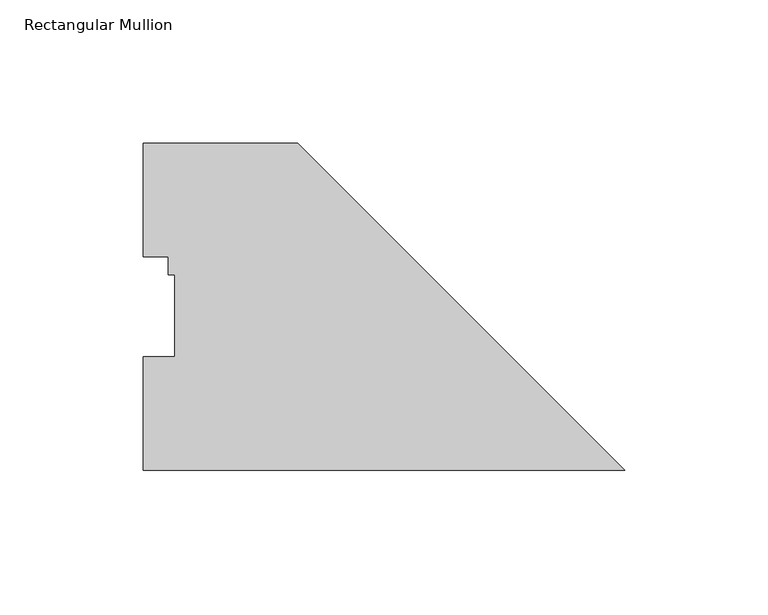
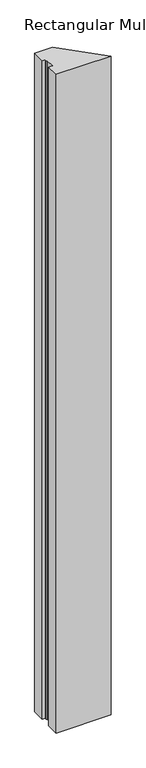
"""IFC4 building model written with IfcOpenShell, lengths in millimetres: member geometry, Rectangular Mullion."""

from ifc_helpers import new_model, si_unit, frame, origin, place, context, project, spatial, polyline, outline, extrude, source, transform, mapped, element, save


def rectangular_mullion_ff20e9f8(model_context):
    return source(origin(), model_context, "Body", "SweptSolid", [
        extrude(outline(polyline([(0.0, -0.028575), (-168.275, -0.028575), (-168.275, 39.646225), (-157.1625, 39.646225), (-157.1625, 68.246625), (-159.5374, 68.246625), (-159.5374, 74.596625), (-168.275, 74.596625), (-168.275, 114.271425), (-114.3, 114.271425), (0.0, -0.028575)])), frame((0.0, 0.0, -2133.6), z_axis=(0.0, 0.0, 1.0), x_axis=(1.0, 0.0, 0.0)), (0.0, 0.0, 1.0), 2133.6),
    ])


if __name__ == "__main__":
    model = new_model("IFC4")
    model_context = context("Model", 3, world=origin())
    ifc_project = project(units=[si_unit("LENGTHUNIT", "METRE", prefix="MILLI")], contexts=[model_context])
    site = spatial("IfcSite", under=ifc_project)
    building = spatial("IfcBuilding", under=site)
    placement = place(None, origin())
    rectangular_mullion_shape = rectangular_mullion_ff20e9f8(model_context)
    element("IfcMember", 1, ObjectType="Rectangular Mullion", at=placement, inside=building, context=model_context, shape_type="MappedRepresentation", body=[
        mapped(rectangular_mullion_shape, transform((0.0, 0.0, 0.0), x_axis=(1.0, 0.0, 0.0), y_axis=(0.0, 1.0, 0.0), z_axis=(0.0, 0.0, 1.0))),
    ])
    save(model, "model.ifc")
